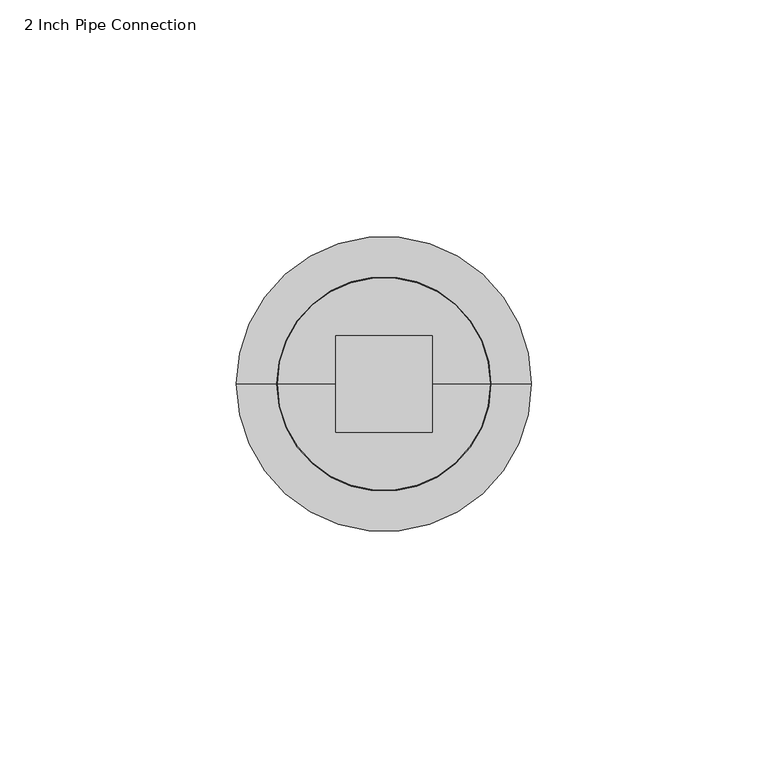
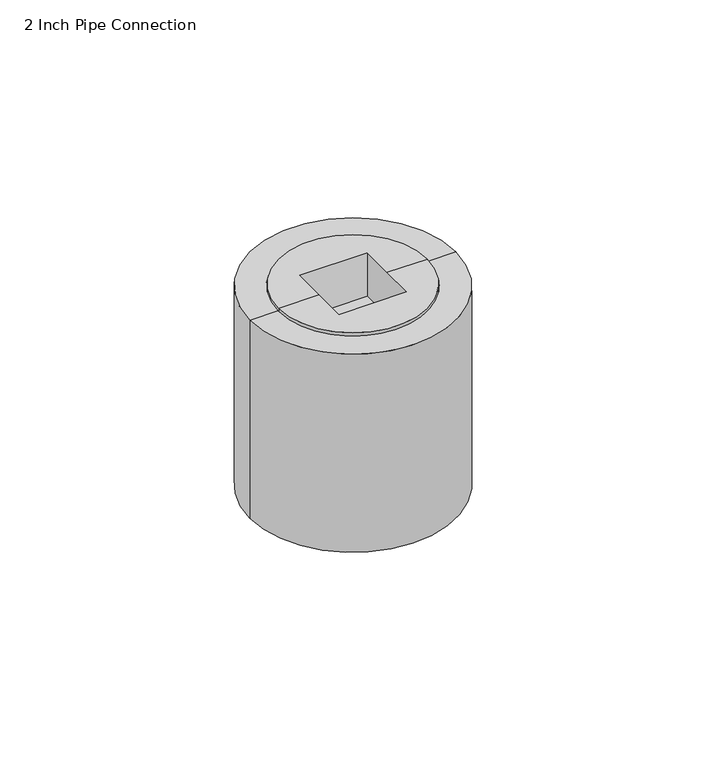
"""IFC4 building model written with IfcOpenShell, lengths in millimetres: flow terminal geometry, 2 Inch Pipe Connection."""

from ifc_helpers import new_model, si_unit, point, frame, origin, origin_with_axes, origin_2d, place, context, project, spatial, polyline, circle_curve, trimmed, segment, composite_curve, outline, extrude, source, transform, mapped, element, save
from ifc_brep_helpers import plane_surface, cylinder_surface, revolved_surface, advanced_brep


def flow_terminal_2_inch_pipe_connection_d0e1e98e(model_context):
    return source(origin(), model_context, "Body", "SolidModel", [
        advanced_brep(
        [(22.479, 0.0, 0.762), (-22.479, 0.0, 0.762), (-10.31875, 0.0, 0.762), (-10.31875, 10.31875, 0.762), (10.31875, 10.31875, 0.762), (10.31875, 0.0, 0.762), (10.31875, -10.31875, 0.762), (-10.31875, -10.31875, 0.762), (-22.479, 0.0, -13.97), (22.479, 0.0, -13.97), (0.0, 0.0, -13.97), (10.31875, 10.31875, -13.208), (-10.31875, 10.31875, -13.208), (-10.31875, -10.31875, -13.208), (10.31875, -10.31875, -13.208)],
        [
            (0, 1, circle_curve(frame((0.0, 0.0, 0.762), z_axis=(0.0, 0.0, 1.0), x_axis=(1.0, 0.0, 0.0)), 22.479)),
            (1, 2),
            (2, 3),
            (3, 4),
            (4, 5),
            (5, 0),
            (1, 0, circle_curve(frame((0.0, 0.0, 0.762), z_axis=(0.0, 0.0, 1.0), x_axis=(1.0, 0.0, 0.0)), 22.479)),
            (5, 6),
            (6, 7),
            (7, 2),
            (8, 9, circle_curve(frame((0.0, 0.0, -13.97), z_axis=(0.0, 0.0, -1.0), x_axis=(1.0, 0.0, 0.0)), 22.479)),
            (9, 10),
            (10, 8),
            (9, 8, circle_curve(frame((0.0, 0.0, -13.97), z_axis=(0.0, 0.0, -1.0), x_axis=(1.0, 0.0, 0.0)), 22.479)),
            (0, 9),
            (8, 1),
            (11, 12),
            (12, 13),
            (13, 14),
            (14, 11),
            (11, 4),
            (3, 12),
            (7, 13),
            (6, 14),
        ],
        [
            plane_surface(frame((0.0, 0.0, 0.762), z_axis=(0.0, 0.0, 1.0), x_axis=(1.0, 0.0, 0.0))),
            plane_surface(frame((0.0, 0.0, -13.97), z_axis=(0.0, 0.0, -1.0), x_axis=(1.0, 0.0, 0.0))),
            cylinder_surface(frame((0.0, 0.0, 47.8333963), z_axis=(0.0, 0.0, 1.0), x_axis=(1.0, 0.0, 0.0)), 22.479),
            plane_surface(frame((-10.31875, 10.31875, -13.208), z_axis=(0.0, 0.0, 1.0), x_axis=(1.0, 0.0, 0.0))),
            plane_surface(frame((10.31875, 10.31875, 0.762), z_axis=(0.0, -1.0, 0.0), x_axis=(0.0, 0.0, -1.0))),
            plane_surface(frame((-10.31875, 10.31875, 0.762), z_axis=(1.0, 0.0, 0.0), x_axis=(0.0, 0.0, -1.0))),
            plane_surface(frame((-10.31875, -10.31875, 0.762), z_axis=(0.0, 1.0, 0.0), x_axis=(0.0, 0.0, -1.0))),
            plane_surface(frame((10.31875, -10.31875, 0.762), z_axis=(-1.0, 0.0, 0.0), x_axis=(0.0, 0.0, -1.0))),
        ],
        [
            (0, [[1, 2, 3, 4, 5, 6]]),
            (0, [[7, -6, 8, 9, 10, -2]]),
            (1, [[11, 12, 13]]),
            (1, [[-12, 14, -13]]),
            (2, [[-1, 15, -11, 16]]),
            (2, [[-7, -16, -14, -15]]),
            (3, [[17, 18, 19, 20]]),
            (4, [[-17, 21, -4, 22]]),
            (5, [[-18, -22, -3, -10, 23]]),
            (6, [[-19, -23, -9, 24]]),
            (7, [[-20, -24, -8, -5, -21]]),
        ],
    ),
        advanced_brep(
        [(-31.1912, 0.0, -63.5), (31.1912, 0.0, -63.5), (0.0, 0.0, -63.5), (-31.1912, 0.0, 0.0), (31.1912, 0.0, 0.0), (-22.733, 0.0, 0.0), (22.733, 0.0, 0.0), (-22.733, 0.0, -13.97), (22.733, 0.0, -13.97), (0.0, 0.0, -13.97)],
        [
            (0, 1, circle_curve(frame((0.0, 0.0, -63.5), z_axis=(0.0, 0.0, -1.0), x_axis=(1.0, 0.0, 0.0)), 31.1912)),
            (1, 2),
            (2, 0),
            (1, 0, circle_curve(frame((0.0, 0.0, -63.5), z_axis=(0.0, 0.0, -1.0), x_axis=(1.0, 0.0, 0.0)), 31.1912)),
            (0, 3),
            (3, 4, circle_curve(frame((0.0, 0.0, 0.0), z_axis=(0.0, 0.0, -1.0), x_axis=(1.0, 0.0, 0.0)), 31.1912)),
            (4, 1),
            (4, 3, circle_curve(frame((0.0, 0.0, 0.0), z_axis=(0.0, 0.0, -1.0), x_axis=(1.0, 0.0, 0.0)), 31.1912)),
            (3, 5),
            (5, 6, circle_curve(frame((0.0, 0.0, 0.0), z_axis=(0.0, 0.0, -1.0), x_axis=(1.0, 0.0, 0.0)), 22.733)),
            (6, 4),
            (6, 5, circle_curve(frame((0.0, 0.0, 0.0), z_axis=(0.0, 0.0, -1.0), x_axis=(1.0, 0.0, 0.0)), 22.733)),
            (5, 7),
            (7, 8, circle_curve(frame((0.0, 0.0, -13.97), z_axis=(0.0, 0.0, -1.0), x_axis=(1.0, 0.0, 0.0)), 22.733)),
            (8, 6),
            (8, 7, circle_curve(frame((0.0, 0.0, -13.97), z_axis=(0.0, 0.0, -1.0), x_axis=(1.0, 0.0, 0.0)), 22.733)),
            (7, 9),
            (9, 8),
        ],
        [
            plane_surface(frame((0.0, 0.0, -63.5), z_axis=(0.0, 0.0, -1.0), x_axis=(1.0, 0.0, 0.0))),
            cylinder_surface(frame((0.0, 0.0, 12.7), z_axis=(0.0, 0.0, 1.0), x_axis=(1.0, 0.0, 0.0)), 31.1912),
            plane_surface(origin_with_axes()),
            revolved_surface(polyline([(22.733, 0.0, 0.0), (22.733, 0.0, -13.970000000000002)]), (0.0, 0.0, 12.7), (0.0, 0.0, 1.0)),
            plane_surface(frame((0.0, 0.0, -13.97), z_axis=(0.0, 0.0, 1.0), x_axis=(1.0, 0.0, 0.0))),
        ],
        [
            (0, [[1, 2, 3]]),
            (0, [[-2, 4, -3]]),
            (1, [[-1, 5, 6, 7]]),
            (1, [[-4, -7, 8, -5]]),
            (2, [[-6, 9, 10, 11]]),
            (2, [[-8, -11, 12, -9]]),
            (3, [[-10, 13, 14, 15]]),
            (3, [[-12, -15, 16, -13]]),
            (4, [[-14, 17, 18]]),
            (4, [[-16, -18, -17]]),
        ],
    ),
        extrude(outline(composite_curve([segment(trimmed(circle_curve(origin_2d(), 25.4), [point((-25.4, 0.0))], [point((25.4, 0.0))], False, "CARTESIAN"), True, "CONTINUOUS"), segment(trimmed(circle_curve(origin_2d(), 25.4), [point((25.4, 0.0))], [point((-25.4, 0.0))], False, "CARTESIAN"), True, "CONTINUOUS")], self_intersect=False)), frame((0.0, 0.0, -63.5), z_axis=(0.0, 0.0, 1.0), x_axis=(1.0, 0.0, 0.0)), (0.0, 0.0, 1.0), 48.006),
    ])


if __name__ == "__main__":
    model = new_model("IFC4")
    model_context = context("Model", 3, world=origin())
    ifc_project = project(units=[si_unit("LENGTHUNIT", "METRE", prefix="MILLI")], contexts=[model_context])
    site = spatial("IfcSite", under=ifc_project)
    building = spatial("IfcBuilding", under=site)
    placement = place(None, origin())
    flow_terminal_2_inch_pipe_connection_shape = flow_terminal_2_inch_pipe_connection_d0e1e98e(model_context)
    element("IfcFlowTerminal", 1, ObjectType="2 Inch Pipe Connection", at=placement, inside=building, context=model_context, shape_type="MappedRepresentation", body=[
        mapped(flow_terminal_2_inch_pipe_connection_shape, transform((0.0, 0.0, 0.0), x_axis=(1.0, 0.0, 0.0), y_axis=(0.0, 1.0, 0.0), z_axis=(0.0, 0.0, 1.0))),
    ])
    save(model, "model.ifc")
